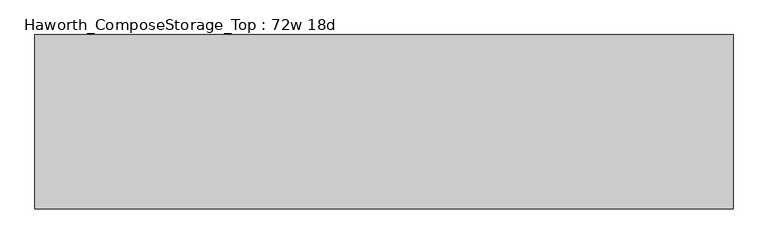
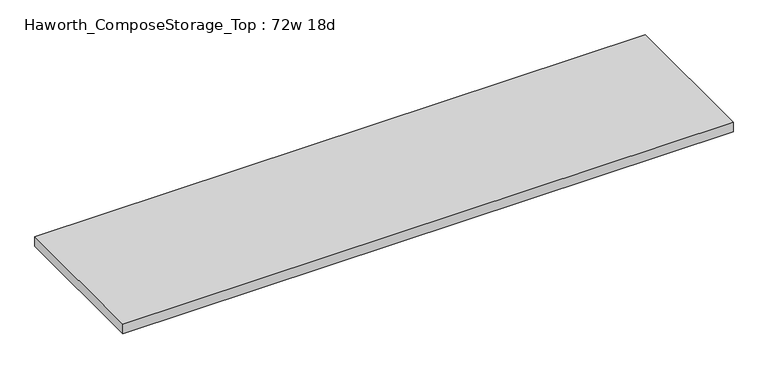
"""IFC4 building model written with IfcOpenShell, lengths in millimetres: furniture geometry, Haworth_ComposeStorage_Top : 72w 18d."""

from ifc_helpers import new_model, si_unit, frame, origin, place, context, project, spatial, polyline, outline, extrude, source, transform, mapped, element, save


def haworth_composestorage_top_72w_18d_f0507e6a(model_context):
    return source(origin(), model_context, "Body", "SweptSolid", [
        extrude(outline(polyline([(914.4, 228.6), (914.4, -228.6), (-914.4, -228.6), (-914.4, 228.6), (914.4, 228.6)])), frame((0.0, 0.0, 706.4375), z_axis=(0.0, 0.0, 1.0), x_axis=(1.0, 0.0, 0.0)), (0.0, 0.0, 1.0), 30.1625),
    ])


if __name__ == "__main__":
    model = new_model("IFC4")
    model_context = context("Model", 3, world=origin())
    ifc_project = project(units=[si_unit("LENGTHUNIT", "METRE", prefix="MILLI")], contexts=[model_context])
    site = spatial("IfcSite", under=ifc_project)
    building = spatial("IfcBuilding", under=site)
    placement = place(None, origin())
    haworth_composestorage_top_72w_18d_shape = haworth_composestorage_top_72w_18d_f0507e6a(model_context)
    element("IfcFurniture", 1, ObjectType="Haworth_ComposeStorage_Top : 72w 18d", at=placement, inside=building, context=model_context, shape_type="MappedRepresentation", body=[
        mapped(haworth_composestorage_top_72w_18d_shape, transform((0.0, 0.0, 0.0), x_axis=(1.0, 0.0, 0.0), y_axis=(0.0, 1.0, 0.0), z_axis=(0.0, 0.0, 1.0))),
    ])
    save(model, "model.ifc")
